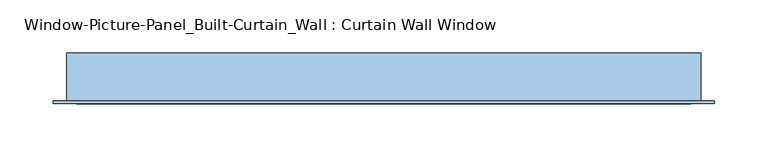
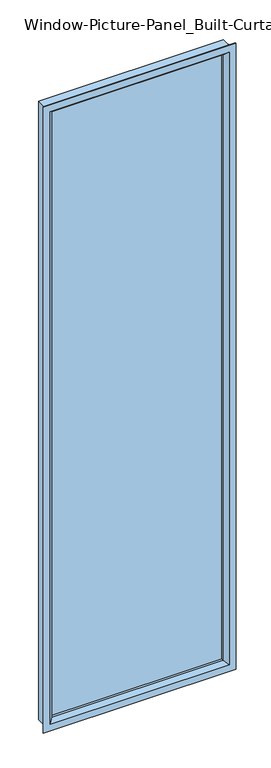
"""IFC4 building model written with IfcOpenShell, lengths in millimetres: window geometry, Window-Picture-Panel_Built-Curtain_Wall : Curtain Wall Window."""

from ifc_helpers import new_model, si_unit, frame, origin, place, context, project, spatial, polyline, outline, extrude, faceted_brep, source, transform, mapped, element, save


def window_picture_panel_built_curtain_wall_curtain_wall_window_2ef69658(model_context):
    return source(origin(), model_context, "Body", "SolidModel", [
        extrude(outline(polyline([(285.75, -32.9044336), (-285.75, -32.9044336), (-285.75, -26.5544336), (285.75, -26.5544336), (285.75, -32.9044336)])), frame((0.0, 0.0, 12.7), z_axis=(0.0, 0.0, 1.0), x_axis=(1.0, 0.0, 0.0)), (0.0, 0.0, 1.0), 2082.8),
        faceted_brep([(-298.45, -5.5372, 2108.2), (-298.45, -5.5372, 0.0), (-298.45, -50.8, 0.0), (-298.45, -50.8, 2108.2), (-311.15, -50.8, -12.7), (-311.15, -50.8, 2120.9), (311.15, -50.8, 2120.9), (311.15, -50.8, -12.7), (298.45, -50.8, 0.0), (298.45, -50.8, 2108.2), (298.45, -5.5372, 0.0), (298.45, -5.5372, 2108.2), (-276.2339566, -5.5372, 2085.9839566), (-276.2339566, -5.5372, 22.2160434), (276.2339566, -5.5372, 22.2160434), (276.2339566, -5.5372, 2085.9839566), (-276.2339566, -26.5544336, 2085.9839566), (-276.2339566, -26.5544336, 22.2160434), (276.2339566, -26.5544336, 22.2160434), (-285.75, -26.5544336, 2095.5), (-285.75, -26.5544336, 12.7), (285.75, -26.5544336, 12.7), (285.75, -26.5544336, 2095.5), (276.2339566, -26.5544336, 2085.9839566), (-285.75, -32.9044336, 2095.5), (-285.75, -32.9044336, 12.7), (285.75, -32.9044336, 12.7), (285.75, -32.9044336, 2095.5), (-276.2339566, -32.9044336, 2085.9839566), (-276.2339566, -32.9044336, 22.2160434), (276.2339566, -32.9044336, 22.2160434), (276.2339566, -32.9044336, 2085.9839566), (-276.2339566, -40.4712173, 2085.9839566), (-276.2339566, -40.4712173, 22.2160434), (276.2339566, -40.4712173, 22.2160434), (-288.9649799, -53.1622, 2098.7149799), (-288.9649799, -53.1622, 9.4850201), (288.9649799, -53.1622, 9.4850201), (-311.15, -53.1622, 2120.9), (-311.15, -53.1622, -12.7), (311.15, -53.1622, -12.7), (311.15, -53.1622, 2120.9), (288.9649799, -53.1622, 2098.7149799), (276.2339566, -40.4712173, 2085.9839566)], [[[0, 1, 2, 3]], [[4, 5, 6, 7], [3, 2, 8, 9]], [[1, 10, 8, 2]], [[1, 0, 11, 10], [12, 13, 14, 15]], [[16, 17, 13, 12]], [[17, 18, 14, 13]], [[19, 20, 21, 22], [17, 16, 23, 18]], [[24, 25, 20, 19]], [[25, 26, 21, 20]], [[25, 24, 27, 26], [28, 29, 30, 31]], [[32, 33, 29, 28]], [[33, 34, 30, 29]], [[35, 36, 33, 32]], [[36, 37, 34, 33]], [[38, 39, 40, 41], [36, 35, 42, 37]], [[5, 4, 39, 38]], [[4, 7, 40, 39]], [[10, 11, 9, 8]], [[18, 23, 15, 14]], [[26, 27, 22, 21]], [[34, 43, 31, 30]], [[37, 42, 43, 34]], [[7, 6, 41, 40]], [[11, 0, 3, 9]], [[23, 16, 12, 15]], [[27, 24, 19, 22]], [[43, 32, 28, 31]], [[42, 35, 32, 43]], [[6, 5, 38, 41]]]),
    ])


if __name__ == "__main__":
    model = new_model("IFC4")
    model_context = context("Model", 3, world=origin())
    ifc_project = project(units=[si_unit("LENGTHUNIT", "METRE", prefix="MILLI")], contexts=[model_context])
    site = spatial("IfcSite", under=ifc_project)
    building = spatial("IfcBuilding", under=site)
    placement = place(None, origin())
    window_picture_panel_built_curtain_wall_curtain_wall_window_shape = window_picture_panel_built_curtain_wall_curtain_wall_window_2ef69658(model_context)
    element("IfcWindow", 1, ObjectType="Window-Picture-Panel_Built-Curtain_Wall : Curtain Wall Window", at=placement, inside=building, context=model_context, shape_type="MappedRepresentation", body=[
        mapped(window_picture_panel_built_curtain_wall_curtain_wall_window_shape, transform((0.0, 0.0, 0.0), x_axis=(1.0, 0.0, 0.0), y_axis=(0.0, 1.0, 0.0), z_axis=(0.0, 0.0, 1.0))),
    ])
    save(model, "model.ifc")
